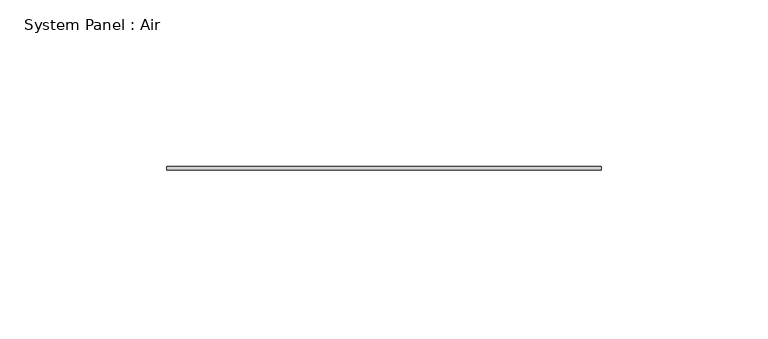
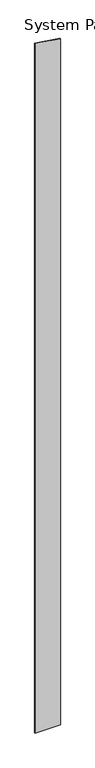
"""IFC4 building model written with IfcOpenShell, lengths in millimetres: plate geometry, System Panel : Air."""

from ifc_helpers import new_model, si_unit, frame, origin, place, context, project, spatial, polyline, outline, extrude, source, transform, mapped, element, save


def system_panel_air_0f4c43c5(model_context):
    return source(origin(), model_context, "Body", "SweptSolid", [
        extrude(outline(polyline([(0.0, -65.0), (0.0, 65.0), (3696.9902799, 65.0), (3716.2455664, -65.0), (0.0, -65.0)])), frame((0.0, 36.5, 0.0), z_axis=(0.0, 1.0, 0.0), x_axis=(0.0, 0.0, 1.0)), (0.0, 0.0, 1.0), 1.0),
    ])


if __name__ == "__main__":
    model = new_model("IFC4")
    model_context = context("Model", 3, world=origin())
    ifc_project = project(units=[si_unit("LENGTHUNIT", "METRE", prefix="MILLI")], contexts=[model_context])
    site = spatial("IfcSite", under=ifc_project)
    building = spatial("IfcBuilding", under=site)
    placement = place(None, origin())
    system_panel_air_shape = system_panel_air_0f4c43c5(model_context)
    element("IfcPlate", 1, ObjectType="System Panel : Air", at=placement, inside=building, context=model_context, shape_type="MappedRepresentation", body=[
        mapped(system_panel_air_shape, transform((0.0, 0.0, 0.0), x_axis=(1.0, 0.0, 0.0), y_axis=(0.0, 1.0, 0.0), z_axis=(0.0, 0.0, 1.0))),
    ])
    save(model, "model.ifc")
